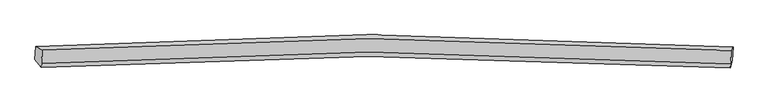
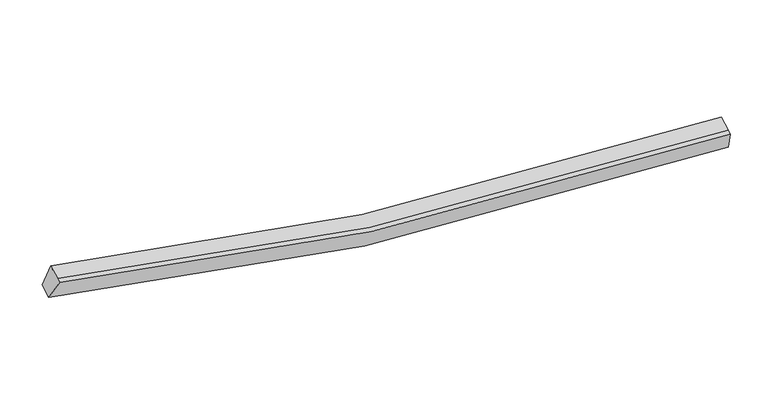
"""IFC4 building model written with IfcOpenShell, lengths in millimetres: proxy geometry."""

from ifc_helpers import new_model, si_unit, frame, origin, place, context, project, spatial, source, transform, mapped, element, save
from ifc_brep_helpers import plane_surface, spline_curve, spline_surface, advanced_brep


def generic_models_eeb22dd3(model_context):
    return source(origin(), model_context, "Body", "AdvancedBrep", [
        advanced_brep(
        [(-10820.2038475, -1854.4567949, 4469.92164), (-10603.8507634, -1974.0410125, 5141.1741047), (11950.7923654, -1992.4010648, 2539.9033744), (12011.7841002, -1872.9514889, 1837.2649748), (-10624.2989027, -2421.0741778, 4962.3998805), (11930.3442261, -2439.43423, 2361.1291503), (-10630.2395645, -2550.9477466, 4910.4617956), (11924.4035643, -2569.3077989, 2309.1910653), (-10840.3434303, -2294.7443609, 4293.8450664), (11991.6445174, -2313.2390549, 1661.1884013)],
        [
            (0, 1),
            (1, 2, spline_curve(3, [(-10603.8507634, -1974.0410125, 5141.1741047), (-7067.469029387, -1730.969498004, 4146.325141368), (-3498.196592688, -1605.85762054, 3429.144472609), (4014.152287936, -1590.941549178, 2512.536825928), (7963.094227328, -1722.173443297, 2362.627250146), (11950.7923654, -1992.4010648, 2539.9033744)], [4, 2, 4], [0.0, 36.07310024880406, 75.23082762447665])),
            (2, 3),
            (3, 0, spline_curve(3, [(12011.7841002, -1872.9514889, 1837.2649748), (7974.175353132, -1599.061019641, 1656.538490893), (3976.255116117, -1466.060634284, 1807.627996956), (-3628.40093677, -1481.218525111, 2735.398386317), (-7241.143350408, -1608.054011361, 3461.861103306), (-10820.2038475, -1854.4567949, 4469.92164)], [4, 2, 4], [0.0, 39.157727375672586, 75.23082762447665])),
            (1, 4),
            (4, 5, spline_curve(3, [(-10624.2989027, -2421.0741778, 4962.3998805), (-7087.917169041, -2178.002663233, 3967.550917273), (-3518.644732037, -2052.890785822, 3250.370248895), (3993.704148688, -2037.974714497, 2333.76260141), (7942.646087323, -2169.206608456, 2183.853026031), (11930.3442261, -2439.43423, 2361.1291503)], [4, 2, 4], [0.0, 35.85246854467, 74.7706978993429])),
            (5, 2),
            (4, 6),
            (6, 7, spline_curve(3, [(-10630.2395645, -2550.9477466, 4910.4617956), (-7094.265450489, -2316.787533546, 3912.049090008), (-3525.205179857, -2196.313997594, 3193.013490946), (3987.10884494, -2182.159934724, 2276.101105022), (7936.262951048, -2308.753487742, 2128.046462089), (11924.4035643, -2569.3077989, 2309.1910653)], [4, 2, 4], [0.0, 35.852442446063634, 74.77064347042653])),
            (7, 5),
            (6, 8),
            (8, 9, spline_curve(3, [(-10840.3434303, -2294.7443609, 4293.8450664), (-7261.690553515, -2057.252878171, 3282.220787004), (-3649.160306239, -1935.055733325, 2553.903139577), (3955.460891865, -1920.659852534, 1625.828011966), (7953.593294408, -2049.02189577, 1476.593439105), (11991.6445174, -2313.2390549, 1661.1884013)], [4, 2, 4], [0.0, 36.07306382338907, 75.23075165889294])),
            (9, 7),
            (8, 0),
            (3, 9),
        ],
        [
            spline_surface(3, 3, [[(-10820.2038475, -1854.4567949, 4469.92164), (-7241.143350584, -1608.054011893, 3461.861102858), (-3628.400937295, -1481.218524549, 2735.398386491), (3976.255116687, -1466.060634894, 1807.627996767), (7974.175352612, -1599.0610202, 1656.538491376), (12011.7841002, -1872.9514889, 1837.2649748)], [(-10748.086152821, -1894.318200775, 4693.672461555), (-7183.251910246, -1649.025840635, 3690.015782313), (-3584.999489063, -1522.764889962, 2966.64708202), (3988.88750706, -1507.687606273, 2042.597606341), (7970.481644099, -1640.098494714, 1891.901410971), (11991.453521906, -1912.768014189, 2071.477774644)], [(-10675.968458079, -1934.179606625, 4917.423283145), (-7125.360469846, -1689.997669354, 3918.170461805), (-3541.598040814, -1564.311255316, 3197.895777517), (4001.519897449, -1549.314577594, 2277.56721588), (7966.787935668, -1681.135969261, 2127.264330636), (11971.122943694, -1952.584539511, 2305.690574556)], [(-10603.8507634, -1974.0410125, 5141.1741047), (-7067.469029508, -1730.969498095, 4146.32514126), (-3498.196592583, -1605.857620728, 3429.144473046), (4014.152287821, -1590.941548974, 2512.536825454), (7963.094227155, -1722.173443775, 2362.627250231), (11950.7923654, -1992.4010648, 2539.9033744)]], [4, 4], [4, 2, 4], [0.0, 2.3468358575763206], [0.0, 36.07310024880406, 75.23082762447665]),
            spline_surface(3, 3, [[(-10603.8507634, -1974.0410125, 5141.1741047), (-7067.469029508, -1730.969498095, 4146.32514126), (-3498.196592583, -1605.857620728, 3429.144473046), (4014.152287821, -1590.941548974, 2512.536825454), (7963.094227155, -1722.173443775, 2362.627250231), (11950.7923654, -1992.4010648, 2539.9033744)], [(-10610.666809825, -2123.052067587, 5081.582696664), (-7074.285075933, -1879.980553183, 4086.733733224), (-3505.012639008, -1754.868675815, 3369.553065011), (4007.336241396, -1739.952604061, 2452.945417418), (7956.27818073, -1871.184498862, 2303.035842195), (11943.976318975, -2141.412119887, 2480.311966364)], [(-10617.482856275, -2272.063122713, 5021.991288536), (-7081.101122383, -2028.991608308, 4027.142325096), (-3511.828685458, -1903.879730941, 3309.961656982), (4000.520194946, -1888.963659186, 2393.354009389), (7949.46213428, -2020.195553888, 2243.444434166), (11937.160272525, -2290.423174913, 2420.720558336)], [(-10624.2989027, -2421.0741778, 4962.3998805), (-7087.917168808, -2178.002663395, 3967.55091706), (-3518.644731883, -2052.890786028, 3250.370248946), (3993.704148521, -2037.974714274, 2333.762601354), (7942.646087855, -2169.206608975, 2183.853026131), (11930.3442261, -2439.43423, 2361.1291503)]], [4, 4], [4, 2, 4], [0.0, 1.5810006293688768], [0.0, 35.85246854467, 74.7706978993429]),
            spline_surface(3, 3, [[(-10624.2989027, -2421.0741778, 4962.3998805), (-7087.917168808, -2178.002663395, 3967.55091706), (-3518.644731883, -2052.890786028, 3250.370248946), (3993.704148521, -2037.974714274, 2333.762601354), (7942.646087855, -2169.206608975, 2183.853026131), (11930.3442261, -2439.43423, 2361.1291503)], [(-10626.279123281, -2464.365367401, 4945.08718553), (-7090.033262619, -2224.264286604, 3949.050308072), (-3520.831547858, -2100.698523151, 3231.251329424), (3991.505713965, -2086.036454518, 2314.542102766), (7940.518375463, -2215.722235306, 2165.250838078), (11928.364005519, -2482.725419601, 2343.81645533)], [(-10628.259343919, -2507.656556999, 4927.77449057), (-7092.149356487, -2270.525909808, 3930.549699095), (-3523.018363816, -2148.506260241, 3212.132409924), (3989.307279425, -2134.09819473, 2295.3216042), (7938.390663014, -2262.237861732, 2146.648649935), (11926.383784881, -2526.016609299, 2326.50376027)], [(-10630.2395645, -2550.9477466, 4910.4617956), (-7094.265450298, -2316.787533017, 3912.049090107), (-3525.205179791, -2196.313997363, 3193.013490401), (3987.108844869, -2182.159934975, 2276.101105613), (7936.262950621, -2308.753488063, 2128.046461882), (11924.4035643, -2569.3077989, 2309.1910653)]], [4, 4], [4, 2, 4], [0.0, 0.5086130581857897], [0.0, 35.852442446063634, 74.77064347042653]),
            spline_surface(3, 3, [[(-10630.2395645, -2550.9477466, 4910.4617956), (-7094.265450298, -2316.787533017, 3912.049090107), (-3525.205179791, -2196.313997363, 3193.013490401), (3987.108844869, -2182.159934975, 2276.101105613), (7936.262950621, -2308.753488063, 2128.046461882), (11924.4035643, -2569.3077989, 2309.1910653)], [(-10700.274186458, -2465.546618045, 4704.922885869), (-7150.073817915, -2230.275981595, 3702.106322476), (-3566.523555302, -2109.227909271, 2979.976706695), (3976.559527217, -2094.993240915, 2059.343407864), (7942.039731854, -2222.176290869, 1910.895454111), (11946.817215315, -2483.951550931, 2093.19017728)], [(-10770.308808342, -2380.145489455, 4499.383976131), (-7205.882185458, -2143.764430137, 3492.163554836), (-3607.841930792, -2022.141821177, 2766.939922951), (3966.010209586, -2007.826546855, 1842.585710076), (7947.816513144, -2135.599093582, 1693.744446399), (11969.230866385, -2398.595302869, 1877.18928932)], [(-10840.3434303, -2294.7443609, 4293.8450664), (-7261.690553074, -2057.252878715, 3282.220787205), (-3649.160306303, -1935.055733085, 2553.903139245), (3955.460891934, -1920.659852795, 1625.828012326), (7953.593294377, -2049.021896388, 1476.593438627), (11991.6445174, -2313.2390549, 1661.1884013)]], [4, 4], [4, 2, 4], [0.0, 2.2965585169103817], [0.0, 36.07306382338907, 75.23075165889294]),
            spline_surface(3, 3, [[(-10840.3434303, -2294.7443609, 4293.8450664), (-7261.690553074, -2057.252878715, 3282.220787205), (-3649.160306303, -1935.055733085, 2553.903139245), (3955.460891934, -1920.659852795, 1625.828012326), (7953.593294377, -2049.021896388, 1476.593438627), (11991.6445174, -2313.2390549, 1661.1884013)], [(-10833.630236015, -2147.981838892, 4352.537257582), (-7254.841485559, -1907.519923099, 3342.100892404), (-3642.240516624, -1783.776663555, 2614.401554979), (3962.392300195, -1769.126780143, 1686.428007125), (7960.453980474, -1899.03493765, 1536.575122892), (11998.357711685, -2166.476532892, 1719.880592482)], [(-10826.917041785, -2001.219316908, 4411.229448818), (-7247.9924181, -1757.786967509, 3401.980997659), (-3635.320726974, -1632.497594079, 2674.899970757), (3969.323708427, -1617.593707545, 1747.028001968), (7967.314666515, -1749.047978938, 1596.556807112), (12005.070905915, -2019.714010908, 1778.572783618)], [(-10820.2038475, -1854.4567949, 4469.92164), (-7241.143350584, -1608.054011893, 3461.861102858), (-3628.400937295, -1481.218524549, 2735.398386491), (3976.255116687, -1466.060634894, 1807.627996767), (7974.175352612, -1599.0610202, 1656.538491376), (12011.7841002, -1872.9514889, 1837.2649748)]], [4, 4], [4, 2, 4], [0.0, 1.606439266861228], [0.0, 36.29370641458607, 75.69090408911023]),
            plane_surface(frame((11969.6561368, -2186.9748519, 2086.886954), z_axis=(0.9944708034672273, -0.07491766290672028, 0.07358780358077448), x_axis=(0.0960585043485934, 0.36581249129622306, -0.9257180915127251))),
            plane_surface(frame((-10723.6594014, -2168.5474787, 4703.8506517), z_axis=(-0.9529482490134478, -0.07397225522467779, 0.29396894420870284), x_axis=(-0.042433298169721446, -0.927668348601076, -0.3709863207858101))),
        ],
        [
            (0, [[1, 2, 3, 4]]),
            (1, [[5, 6, 7, -2]]),
            (2, [[8, 9, 10, -6]]),
            (3, [[11, 12, 13, -9]]),
            (4, [[14, -4, 15, -12]]),
            (5, [[-13, -15, -3, -7, -10]]),
            (6, [[-14, -11, -8, -5, -1]]),
        ],
    ),
    ])


if __name__ == "__main__":
    model = new_model("IFC4")
    model_context = context("Model", 3, world=origin())
    ifc_project = project(units=[si_unit("LENGTHUNIT", "METRE", prefix="MILLI")], contexts=[model_context])
    site = spatial("IfcSite", under=ifc_project)
    building = spatial("IfcBuilding", under=site)
    placement = place(None, origin())
    generic_models_shape = generic_models_eeb22dd3(model_context)
    element("IfcBuildingElementProxy", 1, Name="Generic Models", at=placement, inside=building, context=model_context, shape_type="MappedRepresentation", body=[
        mapped(generic_models_shape, transform((0.0, 0.0, 0.0), x_axis=(1.0, 0.0, 0.0), y_axis=(0.0, 1.0, 0.0), z_axis=(0.0, 0.0, 1.0))),
    ])
    save(model, "model.ifc")
